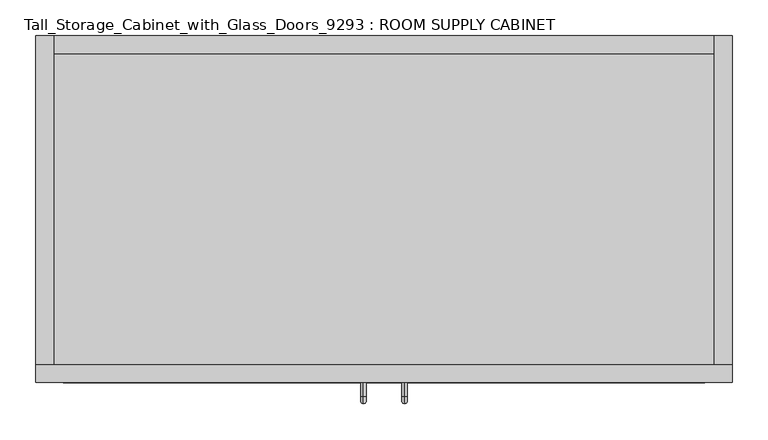
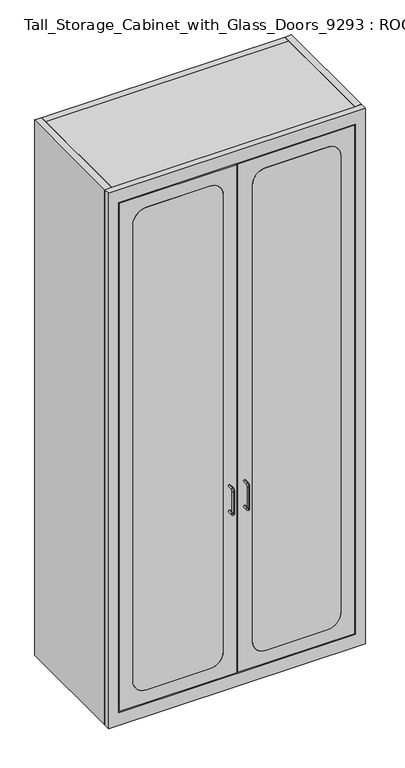
"""IFC4 building model written with IfcOpenShell, lengths in millimetres: proxy geometry, Tall_Storage_Cabinet_with_Glass_Doors_9293 : ROOM SUPPLY CABINET."""

from ifc_helpers import new_model, si_unit, point, frame, frame_2d, origin, origin_with_axes, place, context, project, spatial, polyline, circle_curve, ellipse_curve, trimmed, segment, composite_curve, outline, extrude, source, transform, mapped, element, save
from ifc_brep_helpers import plane_surface, cylinder_surface, revolved_surface, advanced_brep


def tall_storage_cabinet_with_glass_doors_9293_room_supply_be930fbf(model_context):
    return source(origin(), model_context, "Body", "SolidModel", [
        extrude(outline(composite_curve([segment(trimmed(circle_curve(frame_2d((155.575, 117.475)), 50.8), [point((155.575, 66.675))], [point((104.775, 117.475))], False, "CARTESIAN"), True, "CONTINUOUS"), segment(polyline([(104.775, 117.475), (104.775, 355.5911276)]), True, "CONTINUOUS"), segment(trimmed(circle_curve(frame_2d((155.575, 355.5911276)), 50.8), [point((104.775, 355.5911276))], [point((155.575, 406.3911276))], False, "CARTESIAN"), True, "CONTINUOUS"), segment(polyline([(155.575, 406.3911276), (1978.025, 406.3911276)]), True, "CONTINUOUS"), segment(trimmed(circle_curve(frame_2d((1978.025, 355.5911276)), 50.8), [point((1978.025, 406.3911276))], [point((2028.825, 355.5911276))], False, "CARTESIAN"), True, "CONTINUOUS"), segment(polyline([(2028.825, 355.5911276), (2028.825, 117.475)]), True, "CONTINUOUS"), segment(trimmed(circle_curve(frame_2d((1978.025, 117.475)), 50.8), [point((2028.825, 117.475))], [point((1978.025, 66.675))], False, "CARTESIAN"), True, "CONTINUOUS"), segment(polyline([(1978.025, 66.675), (155.575, 66.675)]), True, "CONTINUOUS")], self_intersect=False)), frame((0.0, -25.4, 0.0), z_axis=(0.0, 1.0, 0.0), x_axis=(0.0, 0.0, 1.0)), (0.0, 0.0, 1.0), 25.4),
        extrude(outline(composite_curve([segment(trimmed(circle_curve(frame_2d((155.575, 568.3211975)), 50.8), [point((155.575, 517.5211975))], [point((104.775, 568.3211975))], False, "CARTESIAN"), True, "CONTINUOUS"), segment(polyline([(104.775, 568.3211975), (104.775, 800.1)]), True, "CONTINUOUS"), segment(trimmed(circle_curve(frame_2d((155.575, 800.1)), 50.8), [point((104.775, 800.1))], [point((155.575, 850.9))], False, "CARTESIAN"), True, "CONTINUOUS"), segment(polyline([(155.575, 850.9), (1978.025, 850.9)]), True, "CONTINUOUS"), segment(trimmed(circle_curve(frame_2d((1978.025, 800.1)), 50.8), [point((1978.025, 850.9))], [point((2028.825, 800.1))], False, "CARTESIAN"), True, "CONTINUOUS"), segment(polyline([(2028.825, 800.1), (2028.825, 568.3211975)]), True, "CONTINUOUS"), segment(trimmed(circle_curve(frame_2d((1978.025, 568.3211975)), 50.8), [point((2028.825, 568.3211975))], [point((1978.025, 517.5211975))], False, "CARTESIAN"), True, "CONTINUOUS"), segment(polyline([(1978.025, 517.5211975), (155.575, 517.5211975)]), True, "CONTINUOUS")], self_intersect=False)), frame((0.0, -25.4, 0.0), z_axis=(0.0, 1.0, 0.0), x_axis=(0.0, 0.0, 1.0)), (0.0, 0.0, 1.0), 25.4),
        extrude(outline(polyline([(917.5673951, 431.8), (917.5673951, 0.0), (0.0, 0.0), (0.0, 431.8), (917.5673951, 431.8)])), frame((0.0, 0.0, 2108.2), z_axis=(0.0, 0.0, 1.0), x_axis=(1.0, 0.0, 0.0)), (0.0, 0.0, 1.0), 25.4),
        extrude(outline(polyline([(917.5673951, 431.8), (917.5673951, 0.0), (0.0, 0.0), (0.0, 431.8), (917.5673951, 431.8)])), frame((0.0, 0.0, 28.575), z_axis=(0.0, 0.0, 1.0), x_axis=(1.0, 0.0, 0.0)), (0.0, 0.0, 1.0), 25.4),
        extrude(outline(polyline([(917.5673951, 431.8), (0.0, 431.8), (0.0, 457.2), (917.5673951, 457.2), (917.5673951, 431.8)])), origin_with_axes(), (0.0, 0.0, 1.0), 2133.6),
        extrude(outline(polyline([(-25.4, 0.0), (-25.4, 457.2), (0.0, 457.2), (0.0, 0.0), (-25.4, 0.0)])), origin_with_axes(), (0.0, 0.0, 1.0), 2133.6),
        extrude(outline(polyline([(942.9673951, 457.2), (942.9673951, 0.0), (917.5673951, 0.0), (917.5673951, 457.2), (942.9673951, 457.2)])), origin_with_axes(), (0.0, 0.0, 1.0), 2133.6),
        advanced_brep(
        [(487.359965, -25.4, 813.435), (487.359965, -25.4, 805.815), (487.359965, -44.45, 813.435), (487.359965, -44.45, 805.815), (487.359965, -46.99, 803.275), (487.359965, -54.61, 803.275), (487.359965, -54.61, 714.375), (487.359965, -46.99, 714.375), (487.359965, -44.45, 711.835), (487.359965, -44.45, 704.215), (487.359965, -25.4, 704.215), (487.359965, -25.4, 711.835)],
        [
            (0, 1, circle_curve(frame((487.359965, -25.4, 809.625), z_axis=(0.0, 1.0, 0.0), x_axis=(0.0, 0.0, -1.0)), 3.81)),
            (1, 0, circle_curve(frame((487.359965, -25.4, 809.625), z_axis=(0.0, 1.0, 0.0), x_axis=(0.0, 0.0, -1.0)), 3.81)),
            (0, 2),
            (2, 3, circle_curve(frame((487.359965, -44.45, 809.625), z_axis=(0.0, 1.0, 0.0), x_axis=(0.0, 0.0, -1.0)), 3.81)),
            (3, 1),
            (3, 2, circle_curve(frame((487.359965, -44.45, 809.625), z_axis=(0.0, 1.0, 0.0), x_axis=(0.0, 0.0, -1.0)), 3.81)),
            (4, 3, circle_curve(frame((487.359965, -44.45, 803.275), z_axis=(-1.0, 0.0, 0.0), x_axis=(0.0, 0.0, 1.0)), 2.54)),
            (2, 5, circle_curve(frame((487.359965, -44.45, 803.275), z_axis=(1.0, 0.0, 0.0), x_axis=(0.0, 0.0, 1.0)), 10.16)),
            (5, 4, circle_curve(frame((487.359965, -50.8, 803.275), z_axis=(0.0, 0.0, 1.0), x_axis=(0.0, 1.0, 0.0)), 3.81)),
            (4, 5, circle_curve(frame((487.359965, -50.8, 803.275), z_axis=(0.0, 0.0, 1.0), x_axis=(0.0, 1.0, 0.0)), 3.81)),
            (5, 6),
            (6, 7, circle_curve(frame((487.359965, -50.8, 714.375), z_axis=(0.0, 0.0, 1.0), x_axis=(0.0, 1.0, 0.0)), 3.81)),
            (7, 4),
            (7, 6, circle_curve(frame((487.359965, -50.8, 714.375), z_axis=(0.0, 0.0, 1.0), x_axis=(0.0, 1.0, 0.0)), 3.81)),
            (8, 7, circle_curve(frame((487.359965, -44.45, 714.375), z_axis=(-1.0, 0.0, 0.0), x_axis=(0.0, -1.0, 0.0)), 2.54)),
            (6, 9, circle_curve(frame((487.359965, -44.45, 714.375), z_axis=(1.0, 0.0, 0.0), x_axis=(0.0, -1.0, 0.0)), 10.16)),
            (9, 8, circle_curve(frame((487.359965, -44.45, 708.025), z_axis=(0.0, -1.0, 0.0), x_axis=(0.0, 0.0, 1.0)), 3.81)),
            (8, 9, circle_curve(frame((487.359965, -44.45, 708.025), z_axis=(0.0, -1.0, 0.0), x_axis=(0.0, 0.0, 1.0)), 3.81)),
            (10, 11, circle_curve(frame((487.359965, -25.4, 708.025), z_axis=(0.0, 1.0, 0.0), x_axis=(0.0, 0.0, 1.0)), 3.81)),
            (11, 10, circle_curve(frame((487.359965, -25.4, 708.025), z_axis=(0.0, 1.0, 0.0), x_axis=(0.0, 0.0, 1.0)), 3.81)),
            (9, 10),
            (11, 8),
        ],
        [
            plane_surface(frame((487.359965, -25.4, 809.625), z_axis=(0.0, 1.0, 0.0), x_axis=(1.0, 0.0, 0.0))),
            cylinder_surface(frame((487.359965, -25.4, 809.625), z_axis=(0.0, 1.0, 0.0), x_axis=(0.0, 0.0, -1.0)), 3.81),
            revolved_surface(trimmed(ellipse_curve(frame((487.359965, -44.45, 809.625), z_axis=(0.0, 1.0, 0.0), x_axis=(0.0, 0.0, -1.0)), 3.81, 3.81), [point((487.359965, -44.45, 813.435))], [point((487.359965, -44.45, 805.815))], True, "CARTESIAN"), (487.359965, -44.45, 803.275), (1.0, 0.0, 0.0)),
            revolved_surface(trimmed(ellipse_curve(frame((487.359965, -44.45, 809.625), z_axis=(0.0, 1.0, 0.0), x_axis=(0.0, 0.0, -1.0)), 3.81, 3.81), [point((487.359965, -44.45, 805.815))], [point((487.359965, -44.45, 813.435))], True, "CARTESIAN"), (487.359965, -44.45, 803.275), (1.0, 0.0, 0.0)),
            cylinder_surface(frame((487.359965, -50.8, 803.275), z_axis=(0.0, 0.0, 1.0), x_axis=(0.0, 1.0, 0.0)), 3.81),
            revolved_surface(trimmed(ellipse_curve(frame((487.359965, -50.8, 714.375), z_axis=(0.0, 0.0, 1.0), x_axis=(0.0, 1.0, 0.0)), 3.81, 3.81), [point((487.359965, -54.61, 714.375))], [point((487.359965, -46.99, 714.375))], True, "CARTESIAN"), (487.359965, -44.45, 714.375), (1.0, 0.0, 0.0)),
            revolved_surface(trimmed(ellipse_curve(frame((487.359965, -50.8, 714.375), z_axis=(0.0, 0.0, 1.0), x_axis=(0.0, 1.0, 0.0)), 3.81, 3.81), [point((487.359965, -46.99, 714.375))], [point((487.359965, -54.61, 714.375))], True, "CARTESIAN"), (487.359965, -44.45, 714.375), (1.0, 0.0, 0.0)),
            plane_surface(frame((487.359965, -25.4, 708.025), z_axis=(0.0, 1.0, 0.0), x_axis=(1.0, 0.0, 0.0))),
            cylinder_surface(frame((487.359965, -44.45, 708.025), z_axis=(0.0, -1.0, 0.0), x_axis=(0.0, 0.0, 1.0)), 3.81),
        ],
        [
            (0, [[1, 2]]),
            (1, [[-1, 3, 4, 5]]),
            (1, [[-2, -5, 6, -3]]),
            (2, [[7, -4, 8, 9]]),
            (3, [[-8, -6, -7, 10]]),
            (4, [[-9, 11, 12, 13]]),
            (4, [[-10, -13, 14, -11]]),
            (5, [[15, -12, 16, 17]]),
            (6, [[-16, -14, -15, 18]]),
            (7, [[19, 20]]),
            (8, [[-17, 21, -20, 22]]),
            (8, [[-18, -22, -19, -21]]),
        ],
    ),
        advanced_brep(
        [(430.20743, -25.4, 813.435), (430.20743, -25.4, 805.815), (430.20743, -44.45, 813.435), (430.20743, -44.45, 805.815), (430.20743, -46.99, 803.275), (430.20743, -54.61, 803.275), (430.20743, -54.61, 714.375), (430.20743, -46.99, 714.375), (430.20743, -44.45, 711.835), (430.20743, -44.45, 704.215), (430.20743, -25.4, 704.215), (430.20743, -25.4, 711.835)],
        [
            (0, 1, circle_curve(frame((430.20743, -25.4, 809.625), z_axis=(0.0, 1.0, 0.0), x_axis=(0.0, 0.0, -1.0)), 3.81)),
            (1, 0, circle_curve(frame((430.20743, -25.4, 809.625), z_axis=(0.0, 1.0, 0.0), x_axis=(0.0, 0.0, -1.0)), 3.81)),
            (0, 2),
            (2, 3, circle_curve(frame((430.20743, -44.45, 809.625), z_axis=(0.0, 1.0, 0.0), x_axis=(0.0, 0.0, -1.0)), 3.81)),
            (3, 1),
            (3, 2, circle_curve(frame((430.20743, -44.45, 809.625), z_axis=(0.0, 1.0, 0.0), x_axis=(0.0, 0.0, -1.0)), 3.81)),
            (4, 3, circle_curve(frame((430.20743, -44.45, 803.275), z_axis=(-1.0, 0.0, 0.0), x_axis=(0.0, 0.0, 1.0)), 2.54)),
            (2, 5, circle_curve(frame((430.20743, -44.45, 803.275), z_axis=(1.0, 0.0, 0.0), x_axis=(0.0, 0.0, 1.0)), 10.16)),
            (5, 4, circle_curve(frame((430.20743, -50.8, 803.275), z_axis=(0.0, 0.0, 1.0), x_axis=(0.0, 1.0, 0.0)), 3.81)),
            (4, 5, circle_curve(frame((430.20743, -50.8, 803.275), z_axis=(0.0, 0.0, 1.0), x_axis=(0.0, 1.0, 0.0)), 3.81)),
            (5, 6),
            (6, 7, circle_curve(frame((430.20743, -50.8, 714.375), z_axis=(0.0, 0.0, 1.0), x_axis=(0.0, 1.0, 0.0)), 3.81)),
            (7, 4),
            (7, 6, circle_curve(frame((430.20743, -50.8, 714.375), z_axis=(0.0, 0.0, 1.0), x_axis=(0.0, 1.0, 0.0)), 3.81)),
            (8, 7, circle_curve(frame((430.20743, -44.45, 714.375), z_axis=(-1.0, 0.0, 0.0), x_axis=(0.0, -1.0, 0.0)), 2.54)),
            (6, 9, circle_curve(frame((430.20743, -44.45, 714.375), z_axis=(1.0, 0.0, 0.0), x_axis=(0.0, -1.0, 0.0)), 10.16)),
            (9, 8, circle_curve(frame((430.20743, -44.45, 708.025), z_axis=(0.0, -1.0, 0.0), x_axis=(0.0, 0.0, 1.0)), 3.81)),
            (8, 9, circle_curve(frame((430.20743, -44.45, 708.025), z_axis=(0.0, -1.0, 0.0), x_axis=(0.0, 0.0, 1.0)), 3.81)),
            (10, 11, circle_curve(frame((430.20743, -25.4, 708.025), z_axis=(0.0, 1.0, 0.0), x_axis=(0.0, 0.0, 1.0)), 3.81)),
            (11, 10, circle_curve(frame((430.20743, -25.4, 708.025), z_axis=(0.0, 1.0, 0.0), x_axis=(0.0, 0.0, 1.0)), 3.81)),
            (9, 10),
            (11, 8),
        ],
        [
            plane_surface(frame((430.20743, -25.4, 809.625), z_axis=(0.0, 1.0, 0.0), x_axis=(1.0, 0.0, 0.0))),
            cylinder_surface(frame((430.20743, -25.4, 809.625), z_axis=(0.0, 1.0, 0.0), x_axis=(0.0, 0.0, -1.0)), 3.81),
            revolved_surface(trimmed(ellipse_curve(frame((430.20743, -44.45, 809.625), z_axis=(0.0, 1.0, 0.0), x_axis=(0.0, 0.0, -1.0)), 3.81, 3.81), [point((430.20743, -44.45, 813.435))], [point((430.20743, -44.45, 805.815))], True, "CARTESIAN"), (430.20743, -44.45, 803.275), (1.0, 0.0, 0.0)),
            revolved_surface(trimmed(ellipse_curve(frame((430.20743, -44.45, 809.625), z_axis=(0.0, 1.0, 0.0), x_axis=(0.0, 0.0, -1.0)), 3.81, 3.81), [point((430.20743, -44.45, 805.815))], [point((430.20743, -44.45, 813.435))], True, "CARTESIAN"), (430.20743, -44.45, 803.275), (1.0, 0.0, 0.0)),
            cylinder_surface(frame((430.20743, -50.8, 803.275), z_axis=(0.0, 0.0, 1.0), x_axis=(0.0, 1.0, 0.0)), 3.81),
            revolved_surface(trimmed(ellipse_curve(frame((430.20743, -50.8, 714.375), z_axis=(0.0, 0.0, 1.0), x_axis=(0.0, 1.0, 0.0)), 3.81, 3.81), [point((430.20743, -54.61, 714.375))], [point((430.20743, -46.99, 714.375))], True, "CARTESIAN"), (430.20743, -44.45, 714.375), (1.0, 0.0, 0.0)),
            revolved_surface(trimmed(ellipse_curve(frame((430.20743, -50.8, 714.375), z_axis=(0.0, 0.0, 1.0), x_axis=(0.0, 1.0, 0.0)), 3.81, 3.81), [point((430.20743, -46.99, 714.375))], [point((430.20743, -54.61, 714.375))], True, "CARTESIAN"), (430.20743, -44.45, 714.375), (1.0, 0.0, 0.0)),
            plane_surface(frame((430.20743, -25.4, 708.025), z_axis=(0.0, 1.0, 0.0), x_axis=(1.0, 0.0, 0.0))),
            cylinder_surface(frame((430.20743, -44.45, 708.025), z_axis=(0.0, -1.0, 0.0), x_axis=(0.0, 0.0, 1.0)), 3.81),
        ],
        [
            (0, [[1, 2]]),
            (1, [[-1, 3, 4, 5]]),
            (1, [[-2, -5, 6, -3]]),
            (2, [[7, -4, 8, 9]]),
            (3, [[-8, -6, -7, 10]]),
            (4, [[-9, 11, 12, 13]]),
            (4, [[-10, -13, 14, -11]]),
            (5, [[15, -12, 16, 17]]),
            (6, [[-16, -14, -15, 18]]),
            (7, [[19, 20]]),
            (8, [[-17, 21, -20, 22]]),
            (8, [[-18, -22, -19, -21]]),
        ],
    ),
        extrude(outline(polyline([(53.975, 15.875), (53.975, 457.1911276), (2079.625, 457.1911276), (2079.625, 15.875), (53.975, 15.875)]), holes=[composite_curve([segment(polyline([(155.575, 66.675), (1978.025, 66.675)]), True, "CONTINUOUS"), segment(trimmed(circle_curve(frame_2d((1978.025, 117.475)), 50.8), [point((1978.025, 66.675))], [point((2028.825, 117.475))], True, "CARTESIAN"), True, "CONTINUOUS"), segment(polyline([(2028.825, 117.475), (2028.825, 355.5911276)]), True, "CONTINUOUS"), segment(trimmed(circle_curve(frame_2d((1978.025, 355.5911276)), 50.8), [point((2028.825, 355.5911276))], [point((1978.025, 406.3911276))], True, "CARTESIAN"), True, "CONTINUOUS"), segment(polyline([(1978.025, 406.3911276), (155.575, 406.3911276)]), True, "CONTINUOUS"), segment(trimmed(circle_curve(frame_2d((155.575, 355.5911276)), 50.8), [point((155.575, 406.3911276))], [point((104.775, 355.5911276))], True, "CARTESIAN"), True, "CONTINUOUS"), segment(polyline([(104.775, 355.5911276), (104.775, 117.475)]), True, "CONTINUOUS"), segment(trimmed(circle_curve(frame_2d((155.575, 117.475)), 50.8), [point((104.775, 117.475))], [point((155.575, 66.675))], True, "CARTESIAN"), True, "CONTINUOUS")], self_intersect=False)]), frame((0.0, -25.4, 0.0), z_axis=(0.0, 1.0, 0.0), x_axis=(0.0, 0.0, 1.0)), (0.0, 0.0, 1.0), 25.4),
        extrude(outline(polyline([(2079.625, 901.7), (2079.625, 460.3661276), (53.975, 460.3661276), (53.975, 901.7), (2079.625, 901.7)]), holes=[composite_curve([segment(polyline([(155.575, 517.5211975), (1978.025, 517.5211975)]), True, "CONTINUOUS"), segment(trimmed(circle_curve(frame_2d((1978.025, 568.3211975)), 50.8), [point((1978.025, 517.5211975))], [point((2028.825, 568.3211975))], True, "CARTESIAN"), True, "CONTINUOUS"), segment(polyline([(2028.825, 568.3211975), (2028.825, 800.1)]), True, "CONTINUOUS"), segment(trimmed(circle_curve(frame_2d((1978.025, 800.1)), 50.8), [point((2028.825, 800.1))], [point((1978.025, 850.9))], True, "CARTESIAN"), True, "CONTINUOUS"), segment(polyline([(1978.025, 850.9), (155.575, 850.9)]), True, "CONTINUOUS"), segment(trimmed(circle_curve(frame_2d((155.575, 800.1)), 50.8), [point((155.575, 850.9))], [point((104.775, 800.1))], True, "CARTESIAN"), True, "CONTINUOUS"), segment(polyline([(104.775, 800.1), (104.775, 568.3211975)]), True, "CONTINUOUS"), segment(trimmed(circle_curve(frame_2d((155.575, 568.3211975)), 50.8), [point((104.775, 568.3211975))], [point((155.575, 517.5211975))], True, "CARTESIAN"), True, "CONTINUOUS")], self_intersect=False)]), frame((0.0, -25.4, 0.0), z_axis=(0.0, 1.0, 0.0), x_axis=(0.0, 0.0, 1.0)), (0.0, 0.0, 1.0), 25.4),
        extrude(outline(polyline([(2133.6, 942.9673951), (2133.6, -25.4), (0.0, -25.4), (0.0, 942.9673951), (2133.6, 942.9673951)]), holes=[polyline([(2082.8, 904.8673951), (50.8, 904.8673951), (50.8, 12.7), (2082.8, 12.7), (2082.8, 904.8673951)])]), frame((0.0, -25.4, 0.0), z_axis=(0.0, 1.0, 0.0), x_axis=(0.0, 0.0, 1.0)), (0.0, 0.0, 1.0), 25.4),
        extrude(outline(polyline([(911.225, 0.0), (3.175, 0.0), (3.175, 431.8), (911.225, 431.8), (911.225, 0.0)])), frame((0.0, 0.0, 1263.65), z_axis=(0.0, 0.0, 1.0), x_axis=(1.0, 0.0, 0.0)), (0.0, 0.0, 1.0), 38.1),
        extrude(outline(polyline([(911.225, 0.0), (3.175, 0.0), (3.175, 431.8), (911.225, 431.8), (911.225, 0.0)])), frame((0.0, 0.0, 847.725), z_axis=(0.0, 0.0, 1.0), x_axis=(1.0, 0.0, 0.0)), (0.0, 0.0, 1.0), 38.1),
        extrude(outline(polyline([(911.225, 0.0), (3.175, 0.0), (3.175, 431.8), (911.225, 431.8), (911.225, 0.0)])), frame((0.0, 0.0, 431.8), z_axis=(0.0, 0.0, 1.0), x_axis=(1.0, 0.0, 0.0)), (0.0, 0.0, 1.0), 38.1),
        extrude(outline(polyline([(911.225, 0.0), (3.175, 0.0), (3.175, 431.8), (911.225, 431.8), (911.225, 0.0)])), frame((0.0, 0.0, 1679.575), z_axis=(0.0, 0.0, 1.0), x_axis=(1.0, 0.0, 0.0)), (0.0, 0.0, 1.0), 38.1),
    ])


if __name__ == "__main__":
    model = new_model("IFC4")
    model_context = context("Model", 3, world=origin())
    ifc_project = project(units=[si_unit("LENGTHUNIT", "METRE", prefix="MILLI")], contexts=[model_context])
    site = spatial("IfcSite", under=ifc_project)
    building = spatial("IfcBuilding", under=site)
    placement = place(None, origin())
    tall_storage_cabinet_with_glass_doors_9293_room_supply_shape = tall_storage_cabinet_with_glass_doors_9293_room_supply_be930fbf(model_context)
    element("IfcBuildingElementProxy", 1, Name="Tall_Storage_Cabinet_with_Glass_Doors_9293 : ROOM SUPPLY CABINET", ObjectType="Tall_Storage_Cabinet_with_Glass_Doors_9293 : ROOM SUPPLY CABINET", at=placement, inside=building, context=model_context, shape_type="MappedRepresentation", body=[
        mapped(tall_storage_cabinet_with_glass_doors_9293_room_supply_shape, transform((0.0, 0.0, 0.0), x_axis=(1.0, 0.0, 0.0), y_axis=(0.0, 1.0, 0.0), z_axis=(0.0, 0.0, 1.0))),
    ])
    save(model, "model.ifc")
